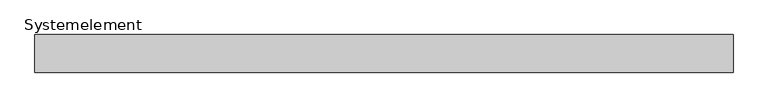
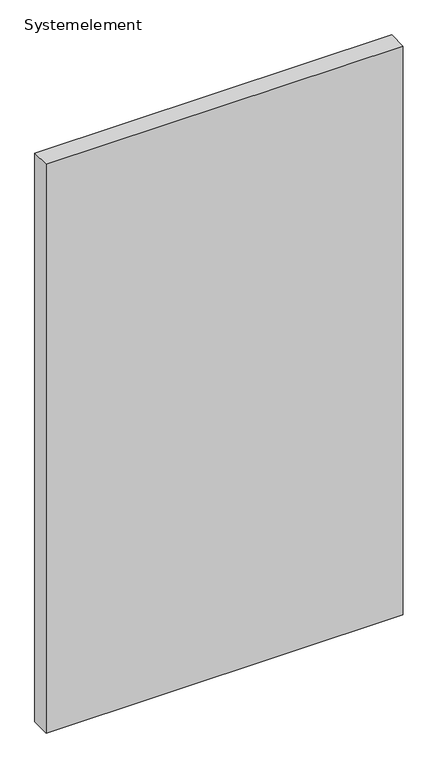
"""IFC4 building model written with IfcOpenShell, lengths in millimetres: plate geometry, Systemelement."""

from ifc_helpers import new_model, si_unit, origin, origin_with_axes, place, context, project, spatial, polyline, outline, extrude, source, transform, mapped, element, save


def systemelement_eb63f62e(model_context):
    return source(origin(), model_context, "Body", "SweptSolid", [
        extrude(outline(polyline([(550.0, -60.0), (-550.0, -60.0), (-550.0, 0.0), (550.0, 0.0), (550.0, -60.0)])), origin_with_axes(), (0.0, 0.0, 1.0), 1851.6147161),
    ])


if __name__ == "__main__":
    model = new_model("IFC4")
    model_context = context("Model", 3, world=origin())
    ifc_project = project(units=[si_unit("LENGTHUNIT", "METRE", prefix="MILLI")], contexts=[model_context])
    site = spatial("IfcSite", under=ifc_project)
    building = spatial("IfcBuilding", under=site)
    placement = place(None, origin())
    systemelement_shape = systemelement_eb63f62e(model_context)
    element("IfcPlate", 1, ObjectType="Systemelement", at=placement, inside=building, context=model_context, shape_type="MappedRepresentation", body=[
        mapped(systemelement_shape, transform((0.0, 0.0, 0.0), x_axis=(1.0, 0.0, 0.0), y_axis=(0.0, 1.0, 0.0), z_axis=(0.0, 0.0, 1.0))),
    ])
    save(model, "model.ifc")
